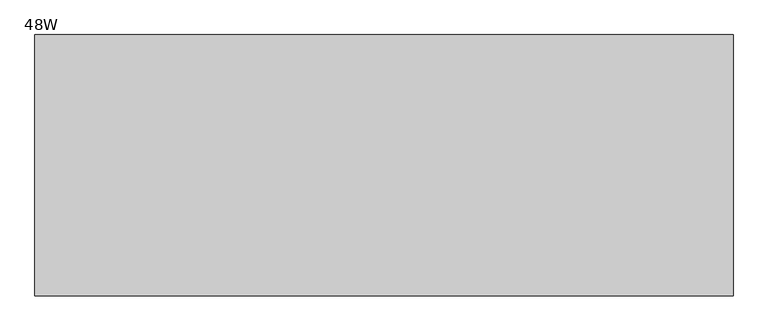
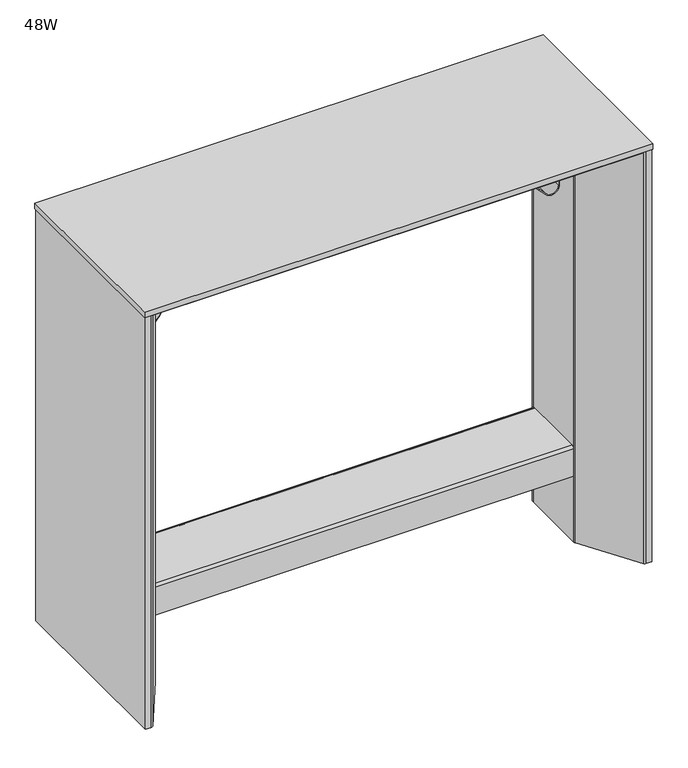
"""IFC4 building model written with IfcOpenShell, lengths in millimetres: furniture geometry, 48W."""

from ifc_helpers import new_model, si_unit, point, frame, frame_2d, origin, origin_with_axes, place, context, project, spatial, polyline, circle_curve, ellipse_curve, trimmed, segment, composite_curve, outline, extrude, source, transform, mapped, element, save
from ifc_brep_helpers import plane_surface, cylinder_surface, revolved_surface, advanced_brep


def furniture_48w_67e18d8c(model_context):
    return source(origin(), model_context, "Body", "SolidModel", [
        extrude(outline(polyline([(0.0, 0.0), (38.1, 0.0), (38.1, -27.2352552), (0.0, -27.2352552), (0.0, 0.0)]), holes=[polyline([(4.9225222, -18.3811484), (4.9225222, -21.5842436), (25.1398174, -21.5842436), (25.1398174, -18.3811484), (4.9225222, -18.3811484)]), polyline([(5.7733228, -5.9634615), (5.7733228, -9.0834936), (21.8087586, -9.0834936), (21.8087586, -5.9634615), (5.7733228, -5.9634615)]), polyline([(19.9978536, -10.4376982), (19.9978536, -16.6393172), (29.3468786, -16.6393172), (29.3468786, -10.4376982), (19.9978536, -10.4376982)])]), frame((623.2176276, -59.4126309, 1010.8663276), z_axis=(0.0, -0.5323186696649173, 0.8465440531515019), x_axis=(0.0, -0.8465440531515019, -0.5323186696649173)), (0.0, 0.0, 1.0), 1.016),
        extrude(outline(polyline([(0.0, 0.0), (44.4408551, 0.0), (44.4408551, -79.8567715), (0.0, -79.8567715), (0.0, 0.0)])), frame((649.334741, -58.8104721, 1012.4451472), z_axis=(0.0, -0.5323186696649173, 0.8465440531515019), x_axis=(0.0, -0.8465440531515019, -0.5323186696649173)), (0.0, 0.0, 1.0), 1.630911),
        extrude(outline(polyline([(-27.2352552, 0.0), (0.0, 0.0), (0.0, -38.1000001), (-27.2352552, -38.1000001), (-27.2352552, 0.0)]), holes=[polyline([(-8.8541068, -4.9225223), (-8.8541068, -25.1398175), (-5.6510116, -25.1398175), (-5.6510116, -4.9225223), (-8.8541068, -4.9225223)]), polyline([(-21.2717937, -5.7733229), (-21.2717937, -21.8087586), (-18.1517616, -21.8087586), (-18.1517616, -5.7733229), (-21.2717937, -5.7733229)]), polyline([(-16.797557, -19.9978536), (-16.797557, -29.3468786), (-10.595938, -29.3468786), (-10.595938, -19.9978536), (-16.797557, -19.9978536)])]), frame((595.9823724, -397.7871908, 1010.8663276), z_axis=(0.0, 0.5323186696649173, 0.8465440531515019), x_axis=(-1.0, 0.0, 0.0)), (0.0, 0.0, 1.0), 1.016),
        extrude(outline(polyline([(-79.8567715, 0.0), (0.0, 0.0), (0.0, -44.440855), (-79.8567715, -44.440855), (-79.8567715, 0.0)])), frame((569.4779695, -398.3893495, 1012.4451472), z_axis=(0.0, 0.5323186696649173, 0.8465440531515019), x_axis=(-1.0, 0.0, 0.0)), (0.0, 0.0, 1.0), 1.630911),
        advanced_brep(
        [(1111.9534072, -253.9994341, 877.7440453), (1111.9534072, -253.9994341, 930.5719053), (1110.0435227, -253.9994341, 930.5719053), (1110.0435227, -253.9994341, 877.763049), (1089.4830763, -253.9994341, 860.9229378), (1089.4830763, -253.9994341, 859.0036121), (1110.0435227, -203.1990465, 877.763049), (1110.0435227, -203.1990465, 930.5719053), (1111.9534072, -203.1990465, 930.5719053), (1111.9534072, -203.1990465, 877.7440453), (1084.773818, -203.1990465, 860.5158046), (1084.773818, -203.1990465, 862.6123931), (1079.199984, -252.9256809, 864.5108034), (1079.199984, -203.9260562, 864.5108034), (1064.5325112, -251.3941139, 879.6994162), (1057.2994721, -244.0730783, 887.1894474), (1057.2994721, -213.1267434, 887.1894474), (1064.0096023, -205.9073773, 880.2409042), (1080.5109362, -253.0625696, 865.8311095), (1080.5109362, -203.7550653, 865.8311095), (1064.0096023, -205.9073773, 882.918741), (1057.2994721, -213.1267434, 889.8672842), (1057.2994721, -244.0730783, 889.8672842), (1064.5325112, -251.3941139, 882.377253)],
        [
            (0, 1),
            (1, 2),
            (2, 3),
            (3, 4, circle_curve(frame((1092.8668212, -253.9994341, 877.763049), z_axis=(0.0, 1.0, 0.0), x_axis=(-1.0, 0.0, 0.0)), 17.1767015)),
            (4, 5),
            (5, 0, circle_curve(frame((1092.9034072, -253.9994341, 877.7440453), z_axis=(0.0, -1.0, 0.0), x_axis=(-1.0, 0.0, 0.0)), 19.05)),
            (6, 7),
            (7, 8),
            (8, 9),
            (9, 10, circle_curve(frame((1092.9034072, -203.1990465, 877.7440453), z_axis=(0.0, 1.0, 0.0), x_axis=(-1.0, 0.0, 0.0)), 19.05)),
            (10, 11),
            (11, 6, circle_curve(frame((1092.8668212, -203.1990465, 877.763049), z_axis=(0.0, -1.0, 0.0), x_axis=(-1.0, 0.0, 0.0)), 17.1767015)),
            (2, 7),
            (6, 3),
            (1, 8),
            (0, 9),
            (5, 12, ellipse_curve(frame((1092.9034072, -254.3565826, 877.7440453), z_axis=(0.10385463818912136, 0.9945924864619714, 0.0), x_axis=(0.9945924864619714, -0.10385463818912019, 0.0)), 19.1535732, 19.05)),
            (12, 13),
            (13, 10, ellipse_curve(frame((1092.9034072, -202.138683, 877.7440453), z_axis=(0.12933706135482687, -0.9916006880595121, 0.0), x_axis=(-0.9916006880595121, -0.12933706135482717, 0.0)), 19.2113622, 19.05)),
            (12, 14),
            (14, 15, ellipse_curve(frame((1065.9374861, -242.7724584, 878.2445221), z_axis=(-0.7193398003386583, 0.0, -0.6946583704589899), x_axis=(0.6946583704589899, 0.0, -0.7193398003386583)), 12.5750761, 8.7353819)),
            (15, 16),
            (16, 17, ellipse_curve(frame((1065.9374861, -214.4273632, 878.2445221), z_axis=(-0.7193398003386583, 0.0, -0.6946583704589899), x_axis=(0.6946583704589899, 0.0, -0.7193398003386583)), 12.5750761, 8.7353819)),
            (17, 13),
            (18, 19),
            (19, 20),
            (20, 21, ellipse_curve(frame((1065.9374861, -214.4273632, 880.9223589), z_axis=(0.7193398003386083, 0.0, 0.6946583704590418), x_axis=(0.694658370459042, 0.0, -0.7193398003386081)), 12.5750761, 8.7353819)),
            (21, 22),
            (22, 23, ellipse_curve(frame((1065.9374861, -242.7724584, 880.9223589), z_axis=(0.7193398003386083, 0.0, 0.6946583704590418), x_axis=(0.694658370459042, 0.0, -0.7193398003386081)), 12.5750761, 8.7353819)),
            (23, 18),
            (11, 19, ellipse_curve(frame((1092.8668212, -202.143455, 877.763049), z_axis=(-0.12933706135482687, 0.9916006880595121, 0.0), x_axis=(0.9916006880595121, 0.12933706135482717, 0.0)), 17.322196, 17.1767015)),
            (18, 4, ellipse_curve(frame((1092.8668212, -254.3527623, 877.763049), z_axis=(-0.10385463818912136, -0.9945924864619714, 0.0), x_axis=(-0.9945924864619714, 0.10385463818912019, 0.0)), 17.2700897, 17.1767015)),
            (16, 21),
            (20, 17),
            (15, 22),
            (14, 23),
        ],
        [
            plane_surface(frame((1075.6901197, -253.9994341, 877.763049), z_axis=(0.0, -1.0, 0.0), x_axis=(0.0, 0.0, 1.0))),
            plane_surface(frame((1075.6901197, -203.1990465, 877.763049), z_axis=(0.0, 1.0, 0.0), x_axis=(0.0, 0.0, -1.0))),
            plane_surface(frame((1110.0435227, -253.9994341, 930.5719053), z_axis=(-1.0, 0.0, 0.0), x_axis=(0.0, 1.0, 0.0))),
            plane_surface(frame((1111.9534072, -253.9994341, 930.5719053), z_axis=(0.0, 0.0, 1.0), x_axis=(0.0, 1.0, 0.0))),
            plane_surface(frame((1111.9534072, -253.9994341, 877.7440453), z_axis=(1.0, 0.0, 0.0), x_axis=(0.0, 1.0, 0.0))),
            cylinder_surface(frame((1092.9034072, -203.1990465, 877.7440453), z_axis=(0.0, -1.0, 0.0), x_axis=(-1.0, 0.0, 0.0)), 19.05),
            plane_surface(frame((1050.9494721, -253.9994341, 893.7650649), z_axis=(-0.7193398003386583, 0.0, -0.6946583704589899), x_axis=(0.0, 1.0, 0.0))),
            plane_surface(frame((1080.5109362, -253.9994341, 865.8311095), z_axis=(0.7193398003386083, 0.0, 0.6946583704590418), x_axis=(0.0, 1.0, 0.0))),
            revolved_surface(polyline([(1075.6901197, -199.90305307314765, 877.763049), (1075.6901197, -256.14634121728716, 877.763049)]), (1092.8668212, -203.1990465, 877.763049), (0.0, 1.0, 0.0)),
            cylinder_surface(frame((1065.9374861, -214.4273632, 516.0690211), z_axis=(0.0, 0.0, -1.0), x_axis=(-1.0, 0.0, 0.0)), 8.7353819),
            plane_surface(frame((1057.2994721, -244.0730783, 930.5719053), z_axis=(-1.0, 0.0, 0.0), x_axis=(0.0, 0.0, -1.0))),
            cylinder_surface(frame((1065.9374861, -242.7724584, 516.0690211), z_axis=(0.0, 0.0, -1.0), x_axis=(-1.0, 0.0, 0.0)), 8.7353819),
            plane_surface(frame((1094.6880848, -254.5429374, 930.5719053), z_axis=(-0.10385463818912136, -0.9945924864619714, 0.0), x_axis=(0.0, 0.0, -1.0))),
            plane_surface(frame((1064.0096023, -205.9073773, 930.5719053), z_axis=(-0.12933706135482687, 0.9916006880595121, 0.0), x_axis=(0.0, 0.0, -1.0))),
        ],
        [
            (0, [[1, 2, 3, 4, 5, 6]]),
            (1, [[7, 8, 9, 10, 11, 12]]),
            (2, [[-3, 13, -7, 14]]),
            (3, [[-2, 15, -8, -13]]),
            (4, [[-1, 16, -9, -15]]),
            (5, [[-16, -6, 17, 18, 19, -10]]),
            (6, [[-18, 20, 21, 22, 23, 24]]),
            (7, [[25, 26, 27, 28, 29, 30]]),
            (8, [[-14, -12, 31, -25, 32, -4]]),
            (9, [[33, -27, 34, -23]]),
            (10, [[-33, -22, 35, -28]]),
            (11, [[-35, -21, 36, -29]]),
            (12, [[-36, -20, -17, -5, -32, -30]]),
            (13, [[-34, -26, -31, -11, -19, -24]]),
        ],
    ),
        advanced_brep(
        [(109.1564773, -253.9994341, 877.763049), (109.1564773, -253.9994341, 930.5719053), (107.249617, -253.9994341, 930.5719053), (107.249617, -253.9994341, 877.747177), (129.7169237, -253.9994341, 859.0061921), (129.7169237, -253.9994341, 860.9229378), (107.249617, -203.1990465, 877.747177), (107.249617, -203.1990465, 930.5719053), (109.1564773, -203.1990465, 930.5719053), (109.1564773, -203.1990465, 877.763049), (134.426182, -203.1990465, 862.6123931), (134.426182, -203.1990465, 860.5175096), (140.0030402, -203.9264506, 864.513935), (140.0030402, -252.9253651, 864.513935), (155.1903977, -205.9073773, 880.2409042), (161.9005279, -213.1267434, 887.1894474), (161.9005279, -244.0730783, 887.1894474), (154.6674888, -251.3941139, 879.6994162), (138.6890638, -203.7550653, 865.8311095), (138.6890638, -253.0625696, 865.8311095), (154.6674888, -251.3941139, 882.377253), (161.9005279, -244.0730783, 889.8672842), (161.9005279, -213.1267434, 889.8672842), (155.1903977, -205.9073773, 882.918741)],
        [
            (0, 1),
            (1, 2),
            (2, 3),
            (3, 4, circle_curve(frame((126.299617, -253.9994341, 877.747177), z_axis=(0.0, -1.0, 0.0), x_axis=(1.0, 0.0, 0.0)), 19.05)),
            (4, 5),
            (5, 0, circle_curve(frame((126.3331788, -253.9994341, 877.763049), z_axis=(0.0, 1.0, 0.0), x_axis=(1.0, 0.0, 0.0)), 17.1767015)),
            (6, 7),
            (7, 8),
            (8, 9),
            (9, 10, circle_curve(frame((126.3331788, -203.1990465, 877.763049), z_axis=(0.0, -1.0, 0.0), x_axis=(1.0, 0.0, 0.0)), 17.1767015)),
            (10, 11),
            (11, 6, circle_curve(frame((126.299617, -203.1990465, 877.747177), z_axis=(0.0, 1.0, 0.0), x_axis=(1.0, 0.0, 0.0)), 19.05)),
            (0, 9),
            (8, 1),
            (7, 2),
            (6, 3),
            (11, 12, ellipse_curve(frame((126.299617, -202.1390774, 877.747177), z_axis=(-0.1293370613548275, -0.9916006880595121, 0.0), x_axis=(0.9916006880595121, -0.12933706135482653, 0.0)), 19.2113622, 19.05)),
            (12, 13),
            (13, 4, ellipse_curve(frame((126.299617, -254.3562668, 877.747177), z_axis=(-0.10385463818910845, 0.9945924864619727, 0.0), x_axis=(-0.9945924864619726, -0.1038546381891085, 0.0)), 19.1535732, 19.05)),
            (12, 14),
            (14, 15, ellipse_curve(frame((153.2625139, -214.4273632, 878.2445221), z_axis=(0.7193398003386505, 0.0, -0.6946583704589979), x_axis=(-0.6946583704589978, 0.0, -0.7193398003386505)), 12.5750761, 8.7353819)),
            (15, 16),
            (16, 17, ellipse_curve(frame((153.2625139, -242.7724584, 878.2445221), z_axis=(0.7193398003386505, 0.0, -0.6946583704589979), x_axis=(-0.6946583704589978, 0.0, -0.7193398003386505)), 12.5750761, 8.7353819)),
            (17, 13),
            (18, 19),
            (19, 20),
            (20, 21, ellipse_curve(frame((153.2625139, -242.7724584, 880.9223589), z_axis=(-0.7193398003386511, 0.0, 0.6946583704589974), x_axis=(-0.6946583704589974, 0.0, -0.7193398003386511)), 12.5750761, 8.7353819)),
            (21, 22),
            (22, 23, ellipse_curve(frame((153.2625139, -214.4273632, 880.9223589), z_axis=(-0.7193398003386511, 0.0, 0.6946583704589974), x_axis=(-0.6946583704589974, 0.0, -0.7193398003386511)), 12.5750761, 8.7353819)),
            (23, 18),
            (5, 19, ellipse_curve(frame((126.3331788, -254.3527623, 877.763049), z_axis=(0.10385463818910845, -0.9945924864619727, 0.0), x_axis=(0.9945924864619726, 0.1038546381891085, 0.0)), 17.2700897, 17.1767015)),
            (18, 10, ellipse_curve(frame((126.3331788, -202.143455, 877.763049), z_axis=(0.1293370613548275, 0.9916006880595121, 0.0), x_axis=(-0.9916006880595121, 0.12933706135482653, 0.0)), 17.322196, 17.1767015)),
            (14, 23),
            (22, 15),
            (21, 16),
            (20, 17),
        ],
        [
            plane_surface(frame((109.1564773, -253.9994341, 930.5719053), z_axis=(0.0, -1.0, 0.0), x_axis=(0.0, 0.0, 1.0))),
            plane_surface(frame((109.1564773, -203.1990465, 930.5719053), z_axis=(0.0, 1.0, 0.0), x_axis=(0.0, 0.0, -1.0))),
            plane_surface(frame((109.1564773, -253.9994341, 877.763049), z_axis=(1.0, 0.0, 0.0), x_axis=(0.0, 1.0, 0.0))),
            plane_surface(frame((109.1564773, -253.9994341, 930.5719053), z_axis=(0.0, 0.0, 1.0), x_axis=(0.0, 1.0, 0.0))),
            plane_surface(frame((107.249617, -253.9994341, 930.5719053), z_axis=(-1.0, 0.0, 0.0), x_axis=(0.0, 1.0, 0.0))),
            cylinder_surface(frame((126.299617, -203.1990465, 877.747177), z_axis=(0.0, -1.0, 0.0), x_axis=(1.0, 0.0, 0.0)), 19.05),
            plane_surface(frame((140.0030402, -253.9994341, 864.513935), z_axis=(0.7193398003386505, 0.0, -0.6946583704589979), x_axis=(0.0, 1.0, 0.0))),
            plane_surface(frame((166.9349804, -253.9994341, 895.0806124), z_axis=(-0.7193398003386511, 0.0, 0.6946583704589974), x_axis=(0.0, 1.0, 0.0))),
            revolved_surface(polyline([(143.5098803, -199.90305307314765, 877.763049), (143.5098803, -256.14634121728693, 877.763049)]), (126.3331788, -203.1990465, 877.763049), (0.0, 1.0, 0.0)),
            cylinder_surface(frame((153.2625139, -214.4273632, 516.0690211), z_axis=(0.0, 0.0, -1.0), x_axis=(1.0, 0.0, 0.0)), 8.7353819),
            plane_surface(frame((161.9005279, -213.1267434, 930.5719053), z_axis=(1.0, 0.0, 0.0), x_axis=(0.0, 0.0, -1.0))),
            cylinder_surface(frame((153.2625139, -242.7724584, 516.0690211), z_axis=(0.0, 0.0, -1.0), x_axis=(1.0, 0.0, 0.0)), 8.7353819),
            plane_surface(frame((154.6674888, -251.3941139, 930.5719053), z_axis=(0.10385463818910845, -0.9945924864619727, 0.0), x_axis=(0.0, 0.0, -1.0))),
            plane_surface(frame((129.7040805, -202.5831305, 930.5719053), z_axis=(0.1293370613548275, 0.9916006880595121, 0.0), x_axis=(0.0, 0.0, -1.0))),
        ],
        [
            (0, [[1, 2, 3, 4, 5, 6]]),
            (1, [[7, 8, 9, 10, 11, 12]]),
            (2, [[-1, 13, -9, 14]]),
            (3, [[-2, -14, -8, 15]]),
            (4, [[-3, -15, -7, 16]]),
            (5, [[-16, -12, 17, 18, 19, -4]]),
            (6, [[-18, 20, 21, 22, 23, 24]]),
            (7, [[25, 26, 27, 28, 29, 30]]),
            (8, [[-13, -6, 31, -25, 32, -10]]),
            (9, [[33, -29, 34, -21]]),
            (10, [[-34, -28, 35, -22]]),
            (11, [[-35, -27, 36, -23]]),
            (12, [[-36, -26, -31, -5, -19, -24]]),
            (13, [[-33, -20, -17, -11, -32, -30]]),
        ],
    ),
        extrude(outline(composite_curve([segment(trimmed(circle_curve(frame_2d((-306.6514315, 244.2232802)), 3.3329574), [point((-306.6514315, 247.5562376))], [point((-309.9843889, 244.2232802))], True, "CARTESIAN"), True, "CONTINUOUS"), segment(polyline([(-309.9843889, 244.2232802), (-309.9843889, 174.0104631), (-312.6005077, 174.0104631), (-312.6005077, 244.3466693)]), True, "CONTINUOUS"), segment(trimmed(circle_curve(frame_2d((-306.7751107, 244.3466693)), 5.8253969), [point((-312.6005077, 244.3466693))], [point((-306.7751107, 250.1720663))], False, "CARTESIAN"), True, "CONTINUOUS"), segment(polyline([(-306.7751107, 250.1720663), (-150.5282843, 250.1720663)]), True, "CONTINUOUS"), segment(trimmed(circle_curve(frame_2d((-150.5282843, 244.2440797)), 5.9279866), [point((-150.5282843, 250.1720663))], [point((-144.6002977, 244.2440797))], False, "CARTESIAN"), True, "CONTINUOUS"), segment(polyline([(-144.6002977, 244.2440797), (-144.6002977, 173.9720663), (-147.2164171, 173.9720663), (-147.2164171, 244.0903938)]), True, "CONTINUOUS"), segment(trimmed(circle_curve(frame_2d((-150.6822609, 244.0903938)), 3.4658438), [point((-147.2164171, 244.0903938))], [point((-150.6822609, 247.5562376))], True, "CARTESIAN"), True, "CONTINUOUS"), segment(polyline([(-150.6822609, 247.5562376), (-306.6514315, 247.5562376)]), True, "CONTINUOUS")], self_intersect=False)), frame((107.249617, 0.0, 0.0), z_axis=(1.0, 0.0, 0.0), x_axis=(0.0, 1.0, 0.0)), (0.0, 0.0, 1.0), 1004.7037903),
        extrude(outline(composite_curve([segment(trimmed(circle_curve(frame_2d((17.9808474, -4.496644)), 2.9056047), [point((15.0752426, -4.496644))], [point((20.372785, -2.8470461))], False, "CARTESIAN"), True, "CONTINUOUS"), segment(polyline([(20.372785, -2.8470461), (105.7329394, -139.4544072)]), True, "CONTINUOUS"), segment(trimmed(circle_curve(frame_2d((97.2680237, -144.7437745)), 9.9815933), [point((105.7329394, -139.4544072))], [point((107.249617, -144.7437745))], False, "CARTESIAN"), True, "CONTINUOUS"), segment(polyline([(107.249617, -144.7437745), (107.249617, -312.3626494)]), True, "CONTINUOUS"), segment(trimmed(circle_curve(frame_2d((96.942924, -312.3626494)), 10.306693), [point((107.249617, -312.3626494))], [point((105.6835413, -317.824291))], False, "CARTESIAN"), True, "CONTINUOUS"), segment(polyline([(105.6835413, -317.824291), (20.3165024, -454.4426698)]), True, "CONTINUOUS"), segment(trimmed(circle_curve(frame_2d((17.9653012, -452.7621069)), 2.8900586), [point((20.3165024, -454.4426698))], [point((15.0752426, -452.7621069))], False, "CARTESIAN"), True, "CONTINUOUS"), segment(polyline([(15.0752426, -452.7621069), (15.0752426, -4.496644)]), True, "CONTINUOUS")], self_intersect=False)), frame((0.0, 0.0, 8.10006), z_axis=(0.0, 0.0, 1.0), x_axis=(1.0, 0.0, 0.0)), (0.0, 0.0, 1.0), 1045.0918317),
        extrude(outline(composite_curve([segment(trimmed(circle_curve(frame_2d((19.5831325, -79.2784895)), 12.7), [point((6.8831325, -79.2784895))], [point((32.2831325, -79.2784895))], False, "CARTESIAN"), True, "CONTINUOUS"), segment(trimmed(circle_curve(frame_2d((19.5831325, -79.2784895)), 12.7), [point((32.2831325, -79.2784895))], [point((6.8831325, -79.2784895))], False, "CARTESIAN"), True, "CONTINUOUS")], self_intersect=False)), origin_with_axes(), (0.0, 0.0, 1.0), 8.10006),
        extrude(outline(composite_curve([segment(trimmed(circle_curve(frame_2d((19.5831325, -307.4993931)), 12.7), [point((6.8831325, -307.4993931))], [point((32.2831325, -307.4993931))], False, "CARTESIAN"), True, "CONTINUOUS"), segment(trimmed(circle_curve(frame_2d((19.5831325, -307.4993931)), 12.7), [point((32.2831325, -307.4993931))], [point((6.8831325, -307.4993931))], False, "CARTESIAN"), True, "CONTINUOUS")], self_intersect=False)), origin_with_axes(), (0.0, 0.0, 1.0), 8.10006),
        extrude(outline(composite_curve([segment(trimmed(circle_curve(frame_2d((1198.1761749, -79.3153312)), 12.7), [point((1185.4761749, -79.3153312))], [point((1210.8761749, -79.3153312))], False, "CARTESIAN"), True, "CONTINUOUS"), segment(trimmed(circle_curve(frame_2d((1198.1761749, -79.3153312)), 12.7), [point((1210.8761749, -79.3153312))], [point((1185.4761749, -79.3153312))], False, "CARTESIAN"), True, "CONTINUOUS")], self_intersect=False)), origin_with_axes(), (0.0, 0.0, 1.0), 8.10006),
        extrude(outline(composite_curve([segment(trimmed(circle_curve(frame_2d((1198.1356251, -307.4993931)), 12.7), [point((1185.4356251, -307.4993931))], [point((1210.8356251, -307.4993931))], False, "CARTESIAN"), True, "CONTINUOUS"), segment(trimmed(circle_curve(frame_2d((1198.1356251, -307.4993931)), 12.7), [point((1210.8356251, -307.4993931))], [point((1185.4356251, -307.4993931))], False, "CARTESIAN"), True, "CONTINUOUS")], self_intersect=False)), origin_with_axes(), (0.0, 0.0, 1.0), 8.10006),
        extrude(outline(composite_curve([segment(polyline([(-6.1150764, 1047.5071844), (-138.7558133, 964.100845)]), True, "CONTINUOUS"), segment(trimmed(circle_curve(frame_2d((-145.5162604, 974.8519545)), 12.7), [point((-138.7558133, 964.100845))], [point((-145.5162604, 962.1519545))], False, "CARTESIAN"), True, "CONTINUOUS"), segment(polyline([(-145.5162604, 962.1519545), (-311.6833829, 962.1519545)]), True, "CONTINUOUS"), segment(trimmed(circle_curve(frame_2d((-311.6833829, 974.8519545)), 12.7), [point((-311.6833829, 962.1519545))], [point((-318.44383, 964.100845))], False, "CARTESIAN"), True, "CONTINUOUS"), segment(polyline([(-318.44383, 964.100845), (-450.9229188, 1047.4055378)]), True, "CONTINUOUS"), segment(trimmed(circle_curve(frame_2d((-449.2548383, 1050.058279)), 3.1336127), [point((-450.9229188, 1047.4055378))], [point((-449.2548383, 1053.1918917))], False, "CARTESIAN"), True, "CONTINUOUS"), segment(polyline([(-449.2548383, 1053.1918917), (-7.7538544, 1053.1918917)]), True, "CONTINUOUS"), segment(trimmed(circle_curve(frame_2d((-7.7538544, 1050.1133259)), 3.0785658), [point((-7.7538544, 1053.1918917))], [point((-6.1150764, 1047.5071844))], False, "CARTESIAN"), True, "CONTINUOUS")], self_intersect=False)), frame((15.0752426, 0.0, 0.0), z_axis=(1.0, 0.0, 0.0), x_axis=(0.0, 1.0, 0.0)), (0.0, 0.0, 1.0), 1189.049321),
        extrude(outline(composite_curve([segment(polyline([(1204.1245636, -4.496644), (1204.1245636, -452.7621069)]), True, "CONTINUOUS"), segment(trimmed(circle_curve(frame_2d((1201.234505, -452.7621069)), 2.8900586), [point((1204.1245636, -452.7621069))], [point((1198.8848341, -454.4448088))], False, "CARTESIAN"), True, "CONTINUOUS"), segment(polyline([(1198.8848341, -454.4448088), (1113.5194829, -317.8291309)]), True, "CONTINUOUS"), segment(trimmed(circle_curve(frame_2d((1122.2601002, -312.3674892)), 10.306693), [point((1113.5194829, -317.8291309))], [point((1111.9534072, -312.3674892))], False, "CARTESIAN"), True, "CONTINUOUS"), segment(polyline([(1111.9534072, -312.3674892), (1111.9534072, -144.7389347)]), True, "CONTINUOUS"), segment(trimmed(circle_curve(frame_2d((1121.9350005, -144.7389347)), 9.9815933), [point((1111.9534072, -144.7389347))], [point((1113.4700848, -139.4495674))], False, "CARTESIAN"), True, "CONTINUOUS"), segment(polyline([(1113.4700848, -139.4495674), (1198.829058, -2.8440966)]), True, "CONTINUOUS"), segment(trimmed(circle_curve(frame_2d((1201.2189589, -4.496644)), 2.9056047), [point((1198.829058, -2.8440966))], [point((1204.1245636, -4.496644))], False, "CARTESIAN"), True, "CONTINUOUS")], self_intersect=False)), frame((0.0, 0.0, 8.10006), z_axis=(0.0, 0.0, 1.0), x_axis=(1.0, 0.0, 0.0)), (0.0, 0.0, 1.0), 1045.0918317),
        extrude(outline(polyline([(15.0752426, -456.1998827), (1.9952271, -456.1998827), (1.9952271, -1.0034029), (15.0752426, -1.0034029), (15.0752426, -456.1998827)])), frame((0.0, 0.0, 8.10006), z_axis=(0.0, 0.0, 1.0), x_axis=(1.0, 0.0, 0.0)), (0.0, 0.0, 1.0), 1045.0918317),
        extrude(outline(polyline([(1217.2043854, -456.1998827), (1204.1245636, -456.1998827), (1204.1245636, -1.0034029), (1217.2043854, -1.0034029), (1217.2043854, -456.1998827)])), frame((0.0, 0.0, 8.10006), z_axis=(0.0, 0.0, 1.0), x_axis=(1.0, 0.0, 0.0)), (0.0, 0.0, 1.0), 1045.0918317),
        extrude(outline(polyline([(1219.2, -1.0034029), (1219.2, -457.1998216), (0.0, -457.1998216), (0.0, -1.0034029), (1219.2, -1.0034029)])), frame((0.0, 0.0, 1053.1918917), z_axis=(0.0, 0.0, 1.0), x_axis=(1.0, 0.0, 0.0)), (0.0, 0.0, 1.0), 13.9697868),
    ])


if __name__ == "__main__":
    model = new_model("IFC4")
    model_context = context("Model", 3, world=origin())
    ifc_project = project(units=[si_unit("LENGTHUNIT", "METRE", prefix="MILLI")], contexts=[model_context])
    site = spatial("IfcSite", under=ifc_project)
    building = spatial("IfcBuilding", under=site)
    placement = place(None, origin())
    furniture_48w_shape = furniture_48w_67e18d8c(model_context)
    element("IfcFurniture", 1, ObjectType="48W", at=placement, inside=building, context=model_context, shape_type="MappedRepresentation", body=[
        mapped(furniture_48w_shape, transform((0.0, 0.0, 0.0), x_axis=(1.0, 0.0, 0.0), y_axis=(0.0, 1.0, 0.0), z_axis=(0.0, 0.0, 1.0))),
    ])
    save(model, "model.ifc")
